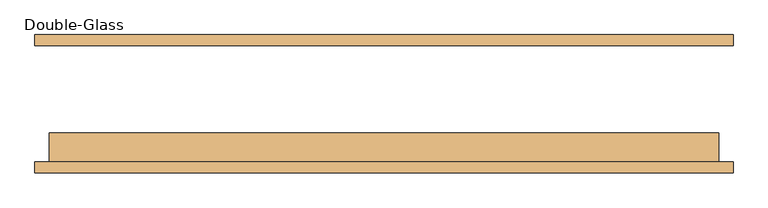
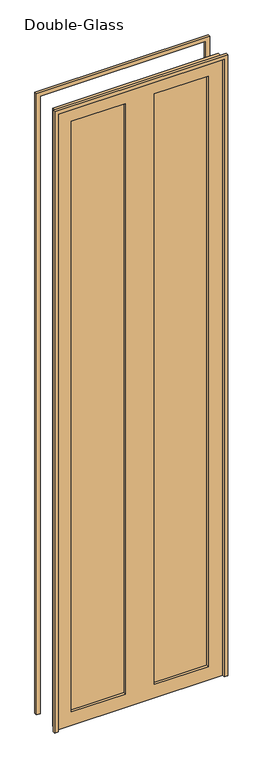
"""IFC4 building model written with IfcOpenShell, lengths in millimetres: door geometry, Double-Glass."""

from ifc_helpers import new_model, si_unit, frame, origin, place, context, project, spatial, polyline, outline, extrude, source, transform, mapped, element, save


def double_glass_0046bffb(model_context):
    return source(origin(), model_context, "Body", "SweptSolid", [
        extrude(outline(polyline([(0.0, 609.6), (4625.4, 609.6), (4625.4, -609.6), (0.0, -609.6), (0.0, -584.2), (4600.0, -584.2), (4600.0, 584.2), (0.0, 584.2), (0.0, 609.6)])), frame((0.0, 99.21875, 0.0), z_axis=(0.0, 1.0, 0.0), x_axis=(0.0, 0.0, 1.0)), (0.0, 0.0, 1.0), 19.05),
        extrude(outline(polyline([(4600.0, 584.2), (0.0, 584.2), (0.0, 609.6), (4625.4, 609.6), (4625.4, -609.6), (0.0, -609.6), (0.0, -584.2), (4600.0, -584.2), (4600.0, 584.2)])), frame((0.0, -123.03125, 0.0), z_axis=(0.0, 1.0, 0.0), x_axis=(0.0, 0.0, 1.0)), (0.0, 0.0, 1.0), 19.05),
        extrude(outline(polyline([(482.6, -78.58125), (482.6, -85.725), (101.6, -85.725), (101.6, -78.58125), (482.6, -78.58125)])), frame((0.0, 0.0, 101.6), z_axis=(0.0, 0.0, 1.0), x_axis=(1.0, 0.0, 0.0)), (0.0, 0.0, 1.0), 4396.8),
        extrude(outline(polyline([(-101.6, -78.58125), (-101.6, -85.725), (-482.6, -85.725), (-482.6, -78.58125), (-101.6, -78.58125)])), frame((0.0, 0.0, 101.6), z_axis=(0.0, 0.0, 1.0), x_axis=(1.0, 0.0, 0.0)), (0.0, 0.0, 1.0), 4396.8),
        extrude(outline(polyline([(4600.0, 584.2), (4600.0, -584.2), (0.0, -584.2), (0.0, 584.2), (4600.0, 584.2)]), holes=[polyline([(4498.4, -101.6), (101.6, -101.6), (101.6, -482.6), (4498.4, -482.6), (4498.4, -101.6)]), polyline([(4498.4, 482.6), (101.6, 482.6), (101.6, 101.6), (4498.4, 101.6), (4498.4, 482.6)])]), frame((0.0, -103.98125, 0.0), z_axis=(0.0, 1.0, 0.0), x_axis=(0.0, 0.0, 1.0)), (0.0, 0.0, 1.0), 50.8),
    ])


if __name__ == "__main__":
    model = new_model("IFC4")
    model_context = context("Model", 3, world=origin())
    ifc_project = project(units=[si_unit("LENGTHUNIT", "METRE", prefix="MILLI")], contexts=[model_context])
    site = spatial("IfcSite", under=ifc_project)
    building = spatial("IfcBuilding", under=site)
    placement = place(None, origin())
    double_glass_shape = double_glass_0046bffb(model_context)
    element("IfcDoor", 1, ObjectType="Double-Glass", at=placement, inside=building, context=model_context, shape_type="MappedRepresentation", body=[
        mapped(double_glass_shape, transform((0.0, 0.0, 0.0), x_axis=(1.0, 0.0, 0.0), y_axis=(0.0, 1.0, 0.0), z_axis=(0.0, 0.0, 1.0))),
    ])
    save(model, "model.ifc")
